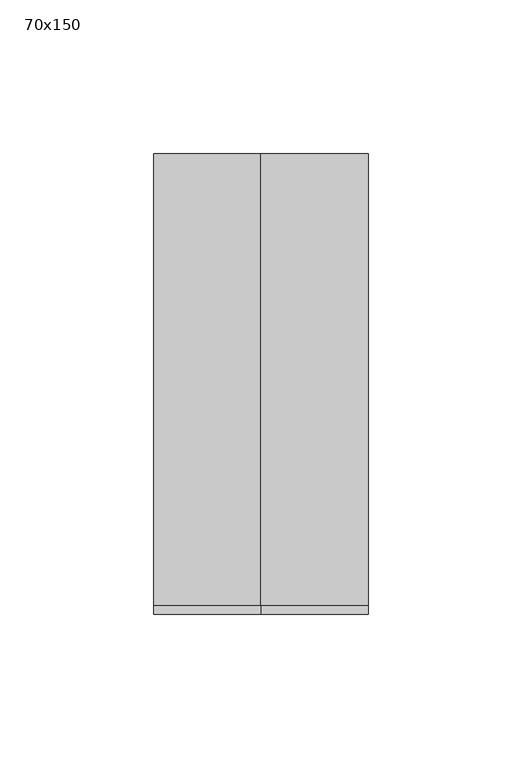
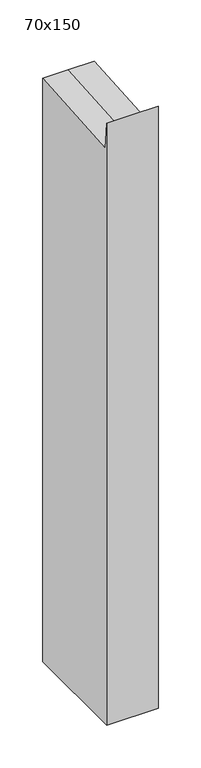
"""IFC4 building model written with IfcOpenShell, lengths in millimetres: member geometry, 70x150."""

from ifc_helpers import new_model, si_unit, origin, place, context, project, spatial, faceted_brep, source, transform, mapped, element, save


def member_70x150_afe49929(model_context):
    return source(origin(), model_context, "Body", "Brep", [
        faceted_brep([(35.0, 75.0, -830.0), (35.0, -75.0, -830.0), (-35.0, -75.0, -830.0), (-35.0, 75.0, -830.0), (-35.0, 75.0, 5.6402638), (0.0, 75.0, 5.6402638), (35.0, 75.0, 5.6402638), (-35.0, -75.0, 32.1328391), (-35.0, -72.1089919, -5.623802), (35.0, -75.0, 32.1328391), (0.0, -75.0, 32.1328391), (35.0, -72.1089919, -5.623802), (0.0, -72.1089919, -5.623802)], [[[0, 1, 2, 3]], [[4, 5, 6, 0, 3]], [[7, 8, 4, 3, 2]], [[9, 10, 7, 2, 1]], [[6, 11, 9, 1, 0]], [[6, 5, 12, 11]], [[5, 4, 8, 12]], [[8, 7, 10, 12]], [[10, 9, 11, 12]]]),
    ])


if __name__ == "__main__":
    model = new_model("IFC4")
    model_context = context("Model", 3, world=origin())
    ifc_project = project(units=[si_unit("LENGTHUNIT", "METRE", prefix="MILLI")], contexts=[model_context])
    site = spatial("IfcSite", under=ifc_project)
    building = spatial("IfcBuilding", under=site)
    placement = place(None, origin())
    member_70x150_shape = member_70x150_afe49929(model_context)
    element("IfcMember", 1, ObjectType="70x150", at=placement, inside=building, context=model_context, shape_type="MappedRepresentation", body=[
        mapped(member_70x150_shape, transform((0.0, 0.0, 0.0), x_axis=(1.0, 0.0, 0.0), y_axis=(0.0, 1.0, 0.0), z_axis=(0.0, 0.0, 1.0))),
    ])
    save(model, "model.ifc")
